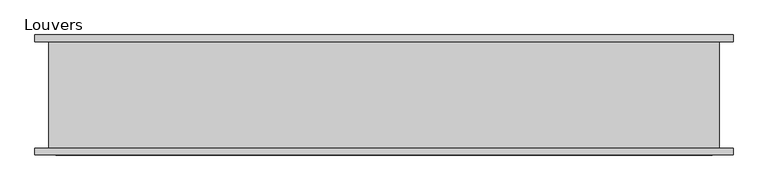
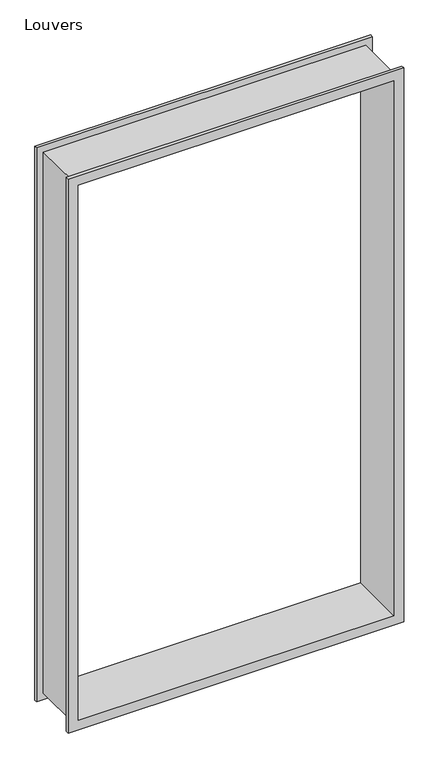
"""IFC4 building model written with IfcOpenShell, lengths in millimetres: proxy geometry, Louvers."""

from ifc_helpers import new_model, si_unit, origin, place, context, project, spatial, faceted_brep, source, transform, mapped, element, save


def louvers_5758bd4d(model_context):
    return source(origin(), model_context, "Body", "Brep", [
        faceted_brep([(714.7893929, -7.7140625, -0.0006), (714.7893929, 8.7859375, -0.0006), (714.7893929, 8.7859375, 3047.9944), (714.7893929, -7.7140625, 3047.9944), (662.6933929, 292.2859375, 52.0954), (662.6933929, -7.7140625, 52.0954), (662.6933929, -7.7140625, 2995.8984), (662.6933929, 292.2859375, 2995.8984), (714.7893929, 275.7859375, -0.0006), (714.7893929, 292.2859375, -0.0006), (714.7893929, 292.2859375, 3047.9944), (714.7893929, 275.7859375, 3047.9944), (679.6933929, 8.7859375, 35.0954), (679.6933929, 275.7859375, 35.0954), (679.6933929, 275.7859375, 3012.8984), (679.6933929, 8.7859375, 3012.8984), (-1031.9550071, 8.7859375, 3047.9944), (-1031.9550071, -7.7140625, 3047.9944), (-979.8590071, -7.7140625, 2995.8984), (-979.8590071, 292.2859375, 2995.8984), (-1031.9550071, 292.2859375, 3047.9944), (-1031.9550071, 275.7859375, 3047.9944), (-996.8590071, 275.7859375, 3012.8984), (-996.8590071, 8.7859375, 3012.8984), (-1031.9550071, 8.7859375, -0.0006), (-1031.9550071, -7.7140625, -0.0006), (-979.8590071, -7.7140625, 52.0954), (-979.8590071, 292.2859375, 52.0954), (-1031.9550071, 292.2859375, -0.0006), (-1031.9550071, 275.7859375, -0.0006), (-996.8590071, 275.7859375, 35.0954), (-996.8590071, 8.7859375, 35.0954)], [[[0, 1, 2, 3]], [[4, 5, 6, 7]], [[8, 9, 10, 11]], [[12, 13, 14, 15]], [[3, 2, 16, 17]], [[7, 6, 18, 19]], [[11, 10, 20, 21]], [[15, 14, 22, 23]], [[17, 16, 24, 25]], [[19, 18, 26, 27]], [[21, 20, 28, 29]], [[23, 22, 30, 31]], [[1, 24, 16, 2], [15, 23, 31, 12]], [[25, 24, 1, 0]], [[3, 17, 25, 0], [5, 26, 18, 6]], [[27, 26, 5, 4]], [[9, 28, 20, 10], [7, 19, 27, 4]], [[29, 28, 9, 8]], [[11, 21, 29, 8], [13, 30, 22, 14]], [[31, 30, 13, 12]]]),
    ])


if __name__ == "__main__":
    model = new_model("IFC4")
    model_context = context("Model", 3, world=origin())
    ifc_project = project(units=[si_unit("LENGTHUNIT", "METRE", prefix="MILLI")], contexts=[model_context])
    site = spatial("IfcSite", under=ifc_project)
    building = spatial("IfcBuilding", under=site)
    placement = place(None, origin())
    louvers_shape = louvers_5758bd4d(model_context)
    element("IfcBuildingElementProxy", 1, Name="Louvers", ObjectType="Louvers", at=placement, inside=building, context=model_context, shape_type="MappedRepresentation", body=[
        mapped(louvers_shape, transform((0.0, 0.0, 0.0), x_axis=(1.0, 0.0, 0.0), y_axis=(0.0, 1.0, 0.0), z_axis=(0.0, 0.0, 1.0))),
    ])
    save(model, "model.ifc")
